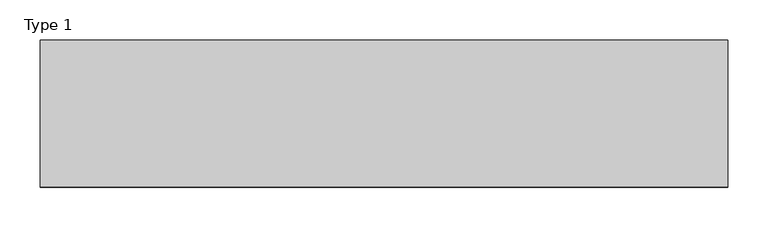
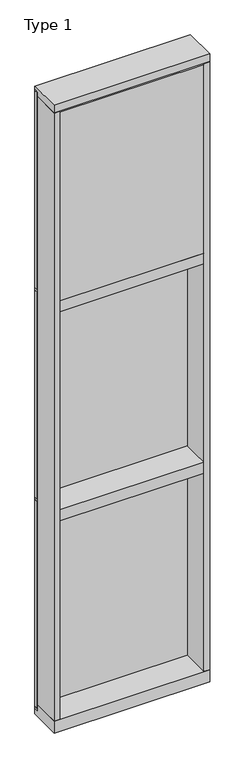
"""IFC4 building model written with IfcOpenShell, lengths in millimetres: plate geometry, Type 1."""

import ifcopenshell
import ifcopenshell.guid

model = None  # the IFC model being written
_history = None  # IfcOwnerHistory: only IFC2X3 demands one
_inside = {}  # id of a spatial element -> (the spatial element, [elements in it])
_under = {}  # id of a project, library or spatial element -> (it, [spatial elements below it])
_declared = {}  # id of a project -> (the project, [libraries it declares])
_typed = {}  # id of a type object -> (the type object, [elements of that type])
_made_of = {}  # id of a material, layer set ... -> (it, [elements and type objects made of it])


def new_model(schema):
    """Start an empty IFC model of exactly this schema.

    Asked for "IFC4X3", IfcOpenShell would pick the latest addendum, in which some entities
    have other attributes; the version numbers below select the first issue.
    IFC2X3 requires an IfcOwnerHistory on every rooted entity: one is made here for all.
    """
    global model, _history
    if schema == "IFC4X3":
        model = ifcopenshell.file(schema_version=(4, 3, 0, 0))
    else:
        model = ifcopenshell.file(schema=schema)
    _inside.clear()
    _under.clear()
    _declared.clear()
    _typed.clear()
    _made_of.clear()
    _history = None
    if model.schema == "IFC2X3":
        org = make("IfcOrganization", Name="unknown")
        user = make(
            "IfcPersonAndOrganization",
            ThePerson=make("IfcPerson", FamilyName="unknown"),
            TheOrganization=org,
        )
        app = make(
            "IfcApplication",
            ApplicationDeveloper=org,
            Version="unknown",
            ApplicationFullName="unknown",
            ApplicationIdentifier="unknown",
        )
        _history = make(
            "IfcOwnerHistory",
            OwningUser=user,
            OwningApplication=app,
            ChangeAction="ADDED",
            CreationDate=0,
        )
    return model


def make(cls, **values):
    """One entity of the class cls with the attributes given. An attribute that is None is left unset."""
    return model.create_entity(
        cls, **{name: value for name, value in values.items() if value is not None}
    )


def rooted(cls, **values):
    """An entity with a GlobalId (a new one), such as an element, a storey or a relation."""
    return make(cls, GlobalId=ifcopenshell.guid.new(), OwnerHistory=_history, **values)


def si_unit(unit_type, name, prefix=None):
    """IfcSIUnit, for example si_unit("LENGTHUNIT", "METRE", prefix="MILLI")."""
    return make("IfcSIUnit", UnitType=unit_type, Prefix=prefix, Name=name)


def assignment(units):
    """IfcUnitAssignment: the units of a project."""
    return None if units is None else make("IfcUnitAssignment", Units=units)


def point(xyz):
    """IfcCartesianPoint."""
    return None if xyz is None else make("IfcCartesianPoint", Coordinates=xyz)


def direction(xyz):
    """IfcDirection."""
    return None if xyz is None else make("IfcDirection", DirectionRatios=xyz)


def frame(location, z_axis=None, x_axis=None):
    """IfcAxis2Placement3D, a coordinate frame: its origin and axes. An axis left out is left unset."""
    return make(
        "IfcAxis2Placement3D",
        Location=point(location),
        Axis=direction(z_axis),
        RefDirection=direction(x_axis),
    )


def origin():
    """The frame at (0, 0, 0) with its axes left unset."""
    return frame((0.0, 0.0, 0.0))


def place(relative_to, where):
    """IfcLocalPlacement: puts the frame where relative to a parent placement (None: the world)."""
    return make(
        "IfcLocalPlacement", PlacementRelTo=relative_to, RelativePlacement=where
    )


def context(
    kind, dimensions, precision=None, world=None, true_north=None, identifier=None
):
    """IfcGeometricRepresentationContext, for example the 3D "Model" context."""
    return make(
        "IfcGeometricRepresentationContext",
        ContextIdentifier=identifier,
        ContextType=kind,
        CoordinateSpaceDimension=dimensions,
        Precision=precision,
        WorldCoordinateSystem=world,
        TrueNorth=true_north,
    )


def project(units=None, contexts=None):
    """IfcProject with its units and contexts."""
    return rooted(
        "IfcProject",
        Name="project",
        RepresentationContexts=contexts,
        UnitsInContext=assignment(units),
    )


def spatial(cls, under=None, at=None, **own):
    """A site, building, storey or space (cls), placed at a placement, below another one or the project."""
    s = rooted(cls, ObjectPlacement=at, **own)
    if under is not None:
        _under.setdefault(under.id(), (under, []))[1].append(s)
    return s


def polyline(points):
    """IfcPolyline through the points."""
    return make("IfcPolyline", Points=[point(p) for p in points])


def outline(outer, holes=None, kind="AREA"):
    """IfcArbitraryClosedProfileDef: a profile drawn as a closed curve; with holes, ...WithVoids."""
    if holes is None:
        return make("IfcArbitraryClosedProfileDef", ProfileType=kind, OuterCurve=outer)
    return make(
        "IfcArbitraryProfileDefWithVoids",
        ProfileType=kind,
        OuterCurve=outer,
        InnerCurves=holes,
    )


def extrude(swept, where, along, depth):
    """IfcExtrudedAreaSolid: the profile swept, set in the frame where, extruded along a direction by depth."""
    return make(
        "IfcExtrudedAreaSolid",
        SweptArea=swept,
        Position=where,
        ExtrudedDirection=direction(along),
        Depth=depth,
    )


def shape(context_of_items, identifier, shape_type, items):
    """IfcShapeRepresentation: the items that make up one representation, for example the "Body"."""
    return make(
        "IfcShapeRepresentation",
        ContextOfItems=context_of_items,
        RepresentationIdentifier=identifier,
        RepresentationType=shape_type,
        Items=items,
    )


def source(mapping_origin, context_of_items, identifier, shape_type, items):
    """IfcRepresentationMap: a shape defined once, which mapped items show again and again."""
    return make(
        "IfcRepresentationMap",
        MappingOrigin=mapping_origin,
        MappedRepresentation=shape(context_of_items, identifier, shape_type, items),
    )


def transform(
    local_origin,
    x_axis=None,
    y_axis=None,
    z_axis=None,
    scale=None,
    scale2=None,
    scale3=None,
    uniform=True,
):
    """IfcCartesianTransformationOperator3D, or its non-uniform kind. x_axis, y_axis, z_axis: its Axis1, 2, 3."""
    if uniform:
        return make(
            "IfcCartesianTransformationOperator3D",
            Axis1=direction(x_axis),
            Axis2=direction(y_axis),
            LocalOrigin=point(local_origin),
            Scale=scale,
            Axis3=direction(z_axis),
        )
    return make(
        "IfcCartesianTransformationOperator3DnonUniform",
        Axis1=direction(x_axis),
        Axis2=direction(y_axis),
        LocalOrigin=point(local_origin),
        Scale=scale,
        Axis3=direction(z_axis),
        Scale2=scale2,
        Scale3=scale3,
    )


def mapped(mapping_source, mapping_target):
    """IfcMappedItem: shows the shape of a source again, moved by a transform."""
    return make(
        "IfcMappedItem", MappingSource=mapping_source, MappingTarget=mapping_target
    )


def made_of(thing, what):
    """Note that an element or type object is made of a material, layer set ...; save() writes the relation."""
    if what is not None:
        _made_of.setdefault(what.id(), (what, []))[1].append(thing)
    return thing


def element(
    cls,
    number,
    at=None,
    inside=None,
    cuts=None,
    type_object=None,
    material=None,
    context=None,
    identifier="Body",
    shape_type=None,
    held_by="IfcProductDefinitionShape",
    body=None,
    shapes=None,
    **own,
):
    """One element of the class cls, such as IfcWall. Its Tag is "e" and its number.

    at: its placement. inside: the storey or other place that contains it. cuts: it is an
    opening in that element (IfcRelVoidsElement). A single representation is given by context,
    identifier, shape_type and body (its items); several are given by shapes. held_by: the class
    of the entity that holds the representations. save() writes the other relations.
    """
    e = rooted(cls, Tag="e%d" % number, ObjectPlacement=at, **own)
    if body is not None:
        shapes = [shape(context, identifier, shape_type, body)]
    if shapes is not None:
        e.Representation = make(held_by, Representations=shapes)
    if inside is not None:
        _inside.setdefault(inside.id(), (inside, []))[1].append(e)
    if cuts is not None:
        rooted(
            "IfcRelVoidsElement", RelatingBuildingElement=cuts, RelatedOpeningElement=e
        )
    if type_object is not None:
        _typed.setdefault(type_object.id(), (type_object, []))[1].append(e)
    return made_of(e, material)


def aggregate(whole, parts):
    """IfcRelAggregates: a whole, such as a stair, and the parts it consists of."""
    return rooted("IfcRelAggregates", RelatingObject=whole, RelatedObjects=parts)


def save(model, path):
    """Write the relations noted so far, then the file.

    IfcRelAggregates (storeys below a building ...), IfcRelContainedInSpatialStructure (elements
    in a storey), IfcRelDefinesByType, IfcRelAssociatesMaterial and IfcRelDeclares: one each for
    every whole, place, type object, material and project.
    """
    for whole, parts in _under.values():
        aggregate(whole, parts)
    for where, things in _inside.values():
        rooted(
            "IfcRelContainedInSpatialStructure",
            RelatedElements=things,
            RelatingStructure=where,
        )
    for kind, things in _typed.values():
        rooted("IfcRelDefinesByType", RelatedObjects=things, RelatingType=kind)
    for what, things in _made_of.values():
        rooted("IfcRelAssociatesMaterial", RelatedObjects=things, RelatingMaterial=what)
    for by, libraries in _declared.values():
        rooted("IfcRelDeclares", RelatingContext=by, RelatedDefinitions=libraries)
    model.write(path)


def type_1_8b9ba921(model_context):
    return source(origin(), model_context, "Body", "SweptSolid", [
        extrude(outline(polyline([(428.625, 27.6881517), (428.625, 11.2982336), (415.9260892, 11.2982336), (415.9260892, 27.6881517), (428.625, 27.6881517)])), frame((0.0, 0.0, 1225.55), z_axis=(0.0, 0.0, 1.0), x_axis=(1.0, 0.0, 0.0)), (0.0, 0.0, 1.0), 1206.5),
        extrude(outline(polyline([(-415.9260892, 27.6881517), (-415.9260892, 11.2982336), (-428.625, 11.2982336), (-428.625, 27.6881517), (-415.9260892, 27.6881517)])), frame((0.0, 0.0, 1225.55), z_axis=(0.0, 0.0, 1.0), x_axis=(1.0, 0.0, 0.0)), (0.0, 0.0, 1.0), 1206.5),
        extrude(outline(polyline([(415.9260892, 27.686), (415.9260892, 2.286), (-415.9260892, 2.286), (-415.9260892, 27.686), (415.9260892, 27.686)])), frame((0.0, 0.0, 1225.55), z_axis=(0.0, 0.0, 1.0), x_axis=(1.0, 0.0, 0.0)), (0.0, 0.0, 1.0), 1206.5),
        extrude(outline(polyline([(428.625, 27.686), (428.625, 6.35), (-428.625, 6.35), (-428.625, 27.686), (428.625, 27.686)])), frame((0.0, 0.0, 2432.05), z_axis=(0.0, 0.0, 1.0), x_axis=(1.0, 0.0, 0.0)), (0.0, 0.0, 1.0), 12.7),
        extrude(outline(polyline([(-428.625, -155.9814), (-428.625, 2.286), (-396.875, 2.286), (-396.875, -155.9814), (-428.625, -155.9814)])), frame((0.0, 0.0, 31.75), z_axis=(0.0, 0.0, 1.0), x_axis=(1.0, 0.0, 0.0)), (0.0, 0.0, 1.0), 3543.3),
        extrude(outline(polyline([(428.625, -155.9814), (396.875, -155.9814), (396.875, 2.286), (428.625, 2.286), (428.625, -155.9814)])), frame((0.0, 0.0, 31.75), z_axis=(0.0, 0.0, 1.0), x_axis=(1.0, 0.0, 0.0)), (0.0, 0.0, 1.0), 3543.3),
        extrude(outline(polyline([(396.8760892, -48.6409999), (396.8760892, -156.32684), (-396.875, -156.32684), (-396.875, -48.6409999), (396.8760892, -48.6409999)])), frame((0.0, 0.0, 2470.15), z_axis=(0.0, 0.0, 1.0), x_axis=(1.0, 0.0, 0.0)), (0.0, 0.0, 1.0), 1098.6493556),
        extrude(outline(polyline([(428.625, 27.6881517), (428.625, 11.2982336), (415.9260892, 11.2982336), (415.9260892, 27.6881517), (428.625, 27.6881517)])), frame((0.0, 0.0, 2444.75), z_axis=(0.0, 0.0, 1.0), x_axis=(1.0, 0.0, 0.0)), (0.0, 0.0, 1.0), 1149.35),
        extrude(outline(polyline([(-415.9260892, 27.6881517), (-415.9260892, 11.2982336), (-428.625, 11.2982336), (-428.625, 27.6881517), (-415.9260892, 27.6881517)])), frame((0.0, 0.0, 2444.75), z_axis=(0.0, 0.0, 1.0), x_axis=(1.0, 0.0, 0.0)), (0.0, 0.0, 1.0), 1149.35),
        extrude(outline(polyline([(415.9260892, 27.686), (415.9260892, 2.286), (-415.9260892, 2.286), (-415.9260892, 27.686), (415.9260892, 27.686)])), frame((0.0, 0.0, 2444.75), z_axis=(0.0, 0.0, 1.0), x_axis=(1.0, 0.0, 0.0)), (0.0, 0.0, 1.0), 1149.35),
        extrude(outline(polyline([(428.625, 27.6881517), (428.625, 11.2982336), (415.9260892, 11.2982336), (415.9260892, 27.6881517), (428.625, 27.6881517)])), frame((0.0, 0.0, 6.35), z_axis=(0.0, 0.0, 1.0), x_axis=(1.0, 0.0, 0.0)), (0.0, 0.0, 1.0), 1206.5),
        extrude(outline(polyline([(-415.9260892, 27.6881517), (-415.9260892, 11.2982336), (-428.625, 11.2982336), (-428.625, 27.6881517), (-415.9260892, 27.6881517)])), frame((0.0, 0.0, 6.35), z_axis=(0.0, 0.0, 1.0), x_axis=(1.0, 0.0, 0.0)), (0.0, 0.0, 1.0), 1206.5),
        extrude(outline(polyline([(415.9260892, 27.686), (415.9260892, 2.286), (-415.9260892, 2.286), (-415.9260892, 27.686), (415.9260892, 27.686)])), frame((0.0, 0.0, 6.35), z_axis=(0.0, 0.0, 1.0), x_axis=(1.0, 0.0, 0.0)), (0.0, 0.0, 1.0), 1206.5),
        extrude(outline(polyline([(428.625, 27.686), (428.625, 6.35), (-428.625, 6.35), (-428.625, 27.686), (428.625, 27.686)])), frame((0.0, 0.0, 1212.85), z_axis=(0.0, 0.0, 1.0), x_axis=(1.0, 0.0, 0.0)), (0.0, 0.0, 1.0), 12.7),
        extrude(outline(polyline([(-396.875, -155.4734), (-396.875, 2.2859999), (396.875, 2.2859999), (396.875, -155.4734), (-396.875, -155.4734)])), frame((0.0, 0.0, 1187.45), z_axis=(0.0, 0.0, 1.0), x_axis=(1.0, 0.0, 0.0)), (0.0, 0.0, 1.0), 63.5),
        extrude(outline(polyline([(-428.625, 15.9510838), (-428.625, 27.6859999), (428.625, 27.6859999), (428.625, 15.9510838), (-428.625, 15.9510838)])), frame((0.0, 0.0, 3594.7366239), z_axis=(0.0, 0.0, 1.0), x_axis=(1.0, 0.0, 0.0)), (0.0, 0.0, 1.0), 6.7161694),
        extrude(outline(polyline([(27.686, 3619.5), (27.686, 3601.4527933), (2.286, 3601.4527933), (2.286, 3575.6866239), (-155.4734, 3575.6866239), (-155.4734, 3619.5), (27.686, 3619.5)])), frame((-428.625, 0.0, 0.0), z_axis=(1.0, 0.0, 0.0), x_axis=(0.0, 1.0, 0.0)), (0.0, 0.0, 1.0), 857.25),
        extrude(outline(polyline([(-428.625, 5.0946564), (-428.625, 27.6881517), (428.625, 27.6881517), (428.625, 5.0946564), (-428.625, 5.0946564)])), frame((0.0, 0.0, -6.2984797), z_axis=(0.0, 0.0, 1.0), x_axis=(1.0, 0.0, 0.0)), (0.0, 0.0, 1.0), 12.6484797),
        extrude(outline(polyline([(-396.875, -155.4734), (-396.875, 2.2859999), (396.875, 2.2859999), (396.875, -155.4734), (-396.875, -155.4734)])), frame((0.0, 0.0, 2406.65), z_axis=(0.0, 0.0, 1.0), x_axis=(1.0, 0.0, 0.0)), (0.0, 0.0, 1.0), 63.5),
        extrude(outline(polyline([(2.2859999, 31.75), (2.2859999, -6.2983857), (27.6858239, -6.2983857), (27.6858239, -38.1), (-155.6004, -38.1), (-155.6004, 31.75), (2.2859999, 31.75)])), frame((-428.625, 0.0, 0.0), z_axis=(1.0, 0.0, 0.0), x_axis=(0.0, 1.0, 0.0)), (0.0, 0.0, 1.0), 857.25),
    ])


if __name__ == "__main__":
    model = new_model("IFC4")
    model_context = context("Model", 3, world=origin())
    ifc_project = project(units=[si_unit("LENGTHUNIT", "METRE", prefix="MILLI")], contexts=[model_context])
    site = spatial("IfcSite", under=ifc_project)
    building = spatial("IfcBuilding", under=site)
    placement = place(None, origin())
    type_1_shape = type_1_8b9ba921(model_context)
    element("IfcPlate", 1, ObjectType="Type 1", at=placement, inside=building, context=model_context, shape_type="MappedRepresentation", body=[
        mapped(type_1_shape, transform((0.0, 0.0, 0.0), x_axis=(1.0, 0.0, 0.0), y_axis=(0.0, 1.0, 0.0), z_axis=(0.0, 0.0, 1.0))),
    ])
    save(model, "model.ifc")
